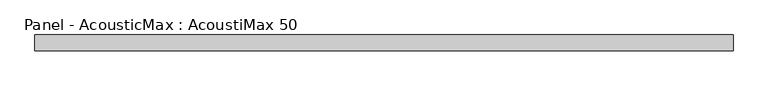
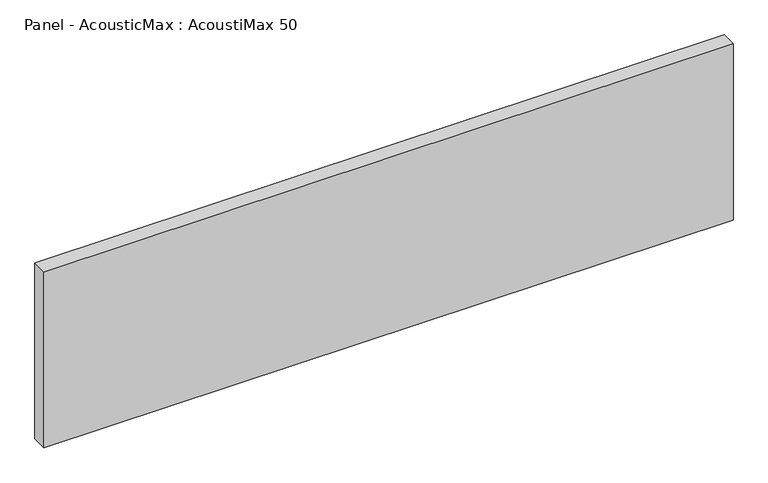
"""IFC4 building model written with IfcOpenShell, lengths in millimetres: plate geometry, Panel - AcousticMax : AcoustiMax 50."""

from ifc_helpers import new_model, si_unit, origin, origin_with_axes, place, context, project, spatial, polyline, outline, extrude, source, transform, mapped, element, save


def panel_acousticmax_acoustimax_50_7ea4e126(model_context):
    return source(origin(), model_context, "Body", "SweptSolid", [
        extrude(outline(polyline([(1109.7952923, -25.0), (-1109.2952923, -25.0), (-1109.2952923, 25.0), (1109.7952923, 25.0), (1109.7952923, -25.0)])), origin_with_axes(), (0.0, 0.0, 1.0), 600.0),
    ])


if __name__ == "__main__":
    model = new_model("IFC4")
    model_context = context("Model", 3, world=origin())
    ifc_project = project(units=[si_unit("LENGTHUNIT", "METRE", prefix="MILLI")], contexts=[model_context])
    site = spatial("IfcSite", under=ifc_project)
    building = spatial("IfcBuilding", under=site)
    placement = place(None, origin())
    panel_acousticmax_acoustimax_50_shape = panel_acousticmax_acoustimax_50_7ea4e126(model_context)
    element("IfcPlate", 1, ObjectType="Panel - AcousticMax : AcoustiMax 50", at=placement, inside=building, context=model_context, shape_type="MappedRepresentation", body=[
        mapped(panel_acousticmax_acoustimax_50_shape, transform((0.0, 0.0, 0.0), x_axis=(1.0, 0.0, 0.0), y_axis=(0.0, 1.0, 0.0), z_axis=(0.0, 0.0, 1.0))),
    ])
    save(model, "model.ifc")
